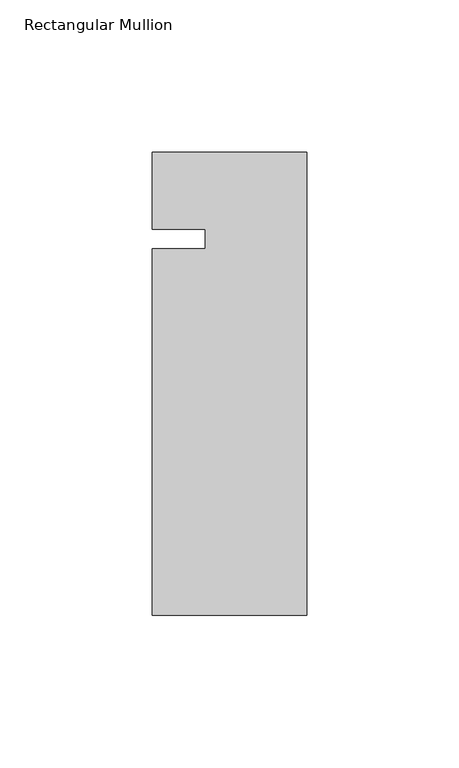
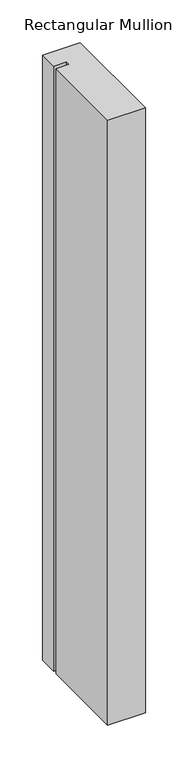
"""IFC4 building model written with IfcOpenShell, lengths in millimetres: member geometry, Rectangular Mullion."""

from ifc_helpers import new_model, si_unit, frame, origin, place, context, project, spatial, polyline, outline, extrude, source, transform, mapped, element, save


def rectangular_mullion_3cd1190c(model_context):
    return source(origin(), model_context, "Body", "SweptSolid", [
        extrude(outline(polyline([(-50.8, -152.4), (-50.8, -31.75), (-33.3502, -31.75), (-33.3502, -25.4), (-50.8, -25.4), (-50.8, 0.0), (0.0, 0.0), (0.0, -152.4), (-50.8, -152.4)])), frame((0.0, 0.0, -863.6), z_axis=(0.0, 0.0, 1.0), x_axis=(1.0, 0.0, 0.0)), (0.0, 0.0, 1.0), 863.6),
    ])


if __name__ == "__main__":
    model = new_model("IFC4")
    model_context = context("Model", 3, world=origin())
    ifc_project = project(units=[si_unit("LENGTHUNIT", "METRE", prefix="MILLI")], contexts=[model_context])
    site = spatial("IfcSite", under=ifc_project)
    building = spatial("IfcBuilding", under=site)
    placement = place(None, origin())
    rectangular_mullion_shape = rectangular_mullion_3cd1190c(model_context)
    element("IfcMember", 1, ObjectType="Rectangular Mullion", at=placement, inside=building, context=model_context, shape_type="MappedRepresentation", body=[
        mapped(rectangular_mullion_shape, transform((0.0, 0.0, 0.0), x_axis=(1.0, 0.0, 0.0), y_axis=(0.0, 1.0, 0.0), z_axis=(0.0, 0.0, 1.0))),
    ])
    save(model, "model.ifc")
